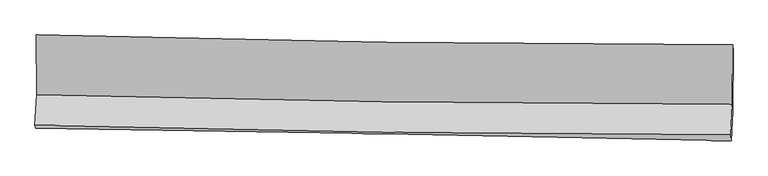
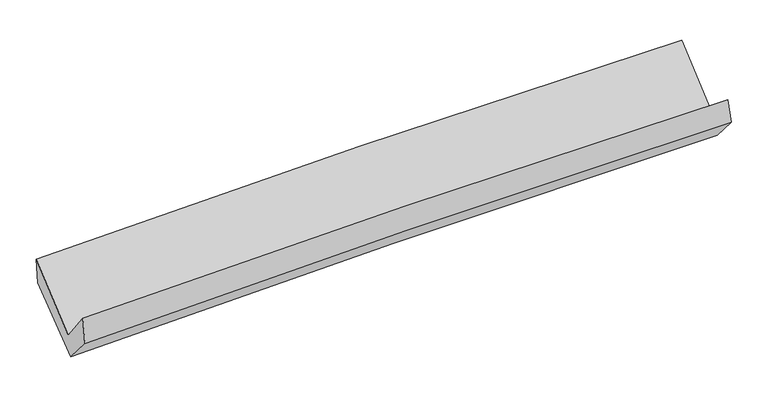
"""IFC4 building model written with IfcOpenShell, lengths in millimetres: proxy geometry."""

from ifc_helpers import new_model, si_unit, frame, origin, place, context, project, spatial, source, transform, mapped, element, save
from ifc_brep_helpers import plane_surface, spline_curve, spline_surface, advanced_brep


def generic_models_17a65b8f(model_context):
    return source(origin(), model_context, "Body", "AdvancedBrep", [
        advanced_brep(
        [(-2976.2248701, -1159.9631535, 2172.7610304), (-2975.1393357, -1670.2657033, 1737.2898855), (2966.8643603, -1752.3209232, 1860.4842065), (2969.4945379, -1246.0135423, 2292.9322514), (-2988.9776428, -1932.0350024, 2066.2215643), (2953.2533526, -2013.2209311, 2180.2940769), (-2983.1850626, -1954.8477257, 1826.3656975), (2956.2830737, -2064.6088656, 1990.4342849), (-2970.730669, -1704.2975137, 1541.8739427), (2968.8396141, -1814.1264757, 1706.0194349), (-2970.7465362, -1175.8548617, 1950.3034302), (2972.4978611, -1293.2123785, 2108.7828414)],
        [
            (0, 1),
            (1, 2, spline_curve(3, [(-2975.1393357, -1670.2657033, 1737.2898855), (-1986.334068556, -1697.559511291, 1788.051923117), (-997.040561833, -1718.044336222, 1823.701839354), (983.626247925, -1745.411264521, 1864.80032265), (1975.000639601, -1752.278179694, 1870.215180349), (2966.8643603, -1752.3209232, 1860.4842065)], [4, 2, 4], [0.0, 9.74963171296899, 19.51013139929388])),
            (2, 3),
            (3, 0, spline_curve(3, [(2969.4945379, -1246.0135423, 2292.9322514), (1977.135017979, -1244.001872406, 2304.209270831), (985.202877155, -1235.817740678, 2299.819211615), (-996.702641251, -1207.120540084, 2259.727267704), (-1986.676969608, -1186.621208481, 2224.06025355), (-2976.2248701, -1159.9631535, 2172.7610304)], [4, 2, 4], [0.0, 9.76049968632489, 19.51013139929388])),
            (1, 4),
            (4, 5, spline_curve(3, [(-2988.9776428, -1932.0350024, 2066.2215643), (-2000.100587564, -1957.400072018, 2115.896017575), (-1010.752246003, -1976.847630339, 2150.242535111), (969.99036772, -2003.922806286, 2188.300897016), (1961.385691243, -2011.537224369, 2191.97855081), (2953.2533526, -2013.2209311, 2180.2940769)], [4, 2, 4], [0.0, 9.746580864753954, 19.504026302064876])),
            (5, 2),
            (4, 6),
            (6, 7, spline_curve(3, [(-2983.1850626, -1954.8477257, 1826.3656975), (-1994.046559994, -1968.247001455, 1868.580170253), (-1004.79740382, -1984.086945633, 1903.356318448), (975.025061375, -2020.668547676, 1958.062440189), (1965.598617276, -2041.415650519, 1977.975820789), (2956.2830737, -2064.6088656, 1990.4342849)], [4, 2, 4], [0.0, 9.74475631445367, 19.500375167627073])),
            (7, 5),
            (6, 8),
            (8, 9, spline_curve(3, [(-2970.730669, -1704.2975137, 1541.8739427), (-1981.793269646, -1722.140989639, 1589.134714562), (-992.636218152, -1740.209916908, 1626.441819363), (987.220052939, -1776.819068147, 1681.17918648), (1977.919762667, -1795.359794767, 1698.5872457), (2968.8396141, -1814.1264757, 1706.0194349)], [4, 2, 4], [0.0, 9.74364158129838, 19.49814445871671])),
            (9, 7),
            (8, 10),
            (10, 11, spline_curve(3, [(-2970.7465362, -1175.8548617, 1950.3034302), (-1981.083902506, -1197.435804239, 1994.705706936), (-991.258197028, -1218.001186706, 2030.111120903), (989.822905098, -1257.1226246, 2082.957659868), (1981.078665152, -1275.676414275, 2100.378716837), (2972.4978611, -1293.2123785, 2108.7828414)], [4, 2, 4], [0.0, 9.74678914878822, 19.504443102308883])),
            (11, 9),
            (10, 0),
            (3, 11),
        ],
        [
            spline_surface(3, 3, [[(-2976.2248701, -1159.9631535, 2172.7610304), (-1986.676969492, -1186.621208506, 2224.060253525), (-996.702641113, -1207.120539922, 2259.727267812), (985.202877017, -1235.81774084, 2299.819211506), (1977.135017952, -1244.001872359, 2304.20927095), (2969.4945379, -1246.0135423, 2292.9322514)], [(-2975.863025293, -1330.064003435, 2027.603982081), (-1986.562669213, -1356.933976063, 2078.724143327), (-996.815281309, -1377.428472002, 2114.385458275), (984.677333971, -1405.682248766, 2154.812915272), (1976.423558491, -1413.427308105, 2159.544574068), (2968.617812037, -1414.782669266, 2148.782903123)], [(-2975.501180507, -1500.164853365, 1882.446933819), (-1986.448368954, -1527.246743616, 1933.388033186), (-996.927921547, -1547.736404064, 1969.043648738), (984.151790882, -1575.546756673, 2009.806619037), (1975.712099017, -1582.852743852, 2014.879877116), (2967.741086163, -1583.551796234, 2004.633554777)], [(-2975.1393357, -1670.2657033, 1737.2898855), (-1986.334068675, -1697.559511173, 1788.051922987), (-997.040561744, -1718.044336145, 1823.701839202), (983.626247835, -1745.411264599, 1864.800322803), (1975.000639556, -1752.278179598, 1870.215180233), (2966.8643603, -1752.3209232, 1860.4842065)]], [4, 4], [4, 2, 4], [0.0, 2.200959758377757], [0.0, 9.74963171296899, 19.51013139929388]),
            spline_surface(3, 3, [[(-2975.1393357, -1670.2657033, 1737.2898855), (-1986.334068675, -1697.559511173, 1788.051922987), (-997.040561744, -1718.044336145, 1823.701839202), (983.626247835, -1745.411264599, 1864.800322803), (1975.000639556, -1752.278179598, 1870.215180233), (2966.8643603, -1752.3209232, 1860.4842065)], [(-2979.752104738, -1757.52213632, 1846.933778421), (-1990.922908325, -1784.173031422, 1897.333287891), (-1001.611123195, -1804.312100863, 1932.548737771), (979.080954477, -1831.581778556, 1972.633847582), (1970.462323486, -1838.697861182, 1977.469637086), (2962.327357724, -1839.287592504, 1967.087496641)], [(-2984.364873762, -1844.77856938, 1956.577671379), (-1995.51174796, -1870.786551712, 2006.614652831), (-1006.181684619, -1890.579865509, 2041.395636379), (974.535661146, -1917.752292441, 2080.467372399), (1965.924007446, -1925.117542754, 2084.724093917), (2957.790355176, -1926.254261796, 2073.690786759)], [(-2988.9776428, -1932.0350024, 2066.2215643), (-2000.10058761, -1957.400071962, 2115.896017734), (-1010.752246071, -1976.847630227, 2150.242534949), (969.990367788, -2003.922806399, 2188.300897178), (1961.385691377, -2011.537224338, 2191.978550769), (2953.2533526, -2013.2209311, 2180.2940769)]], [4, 4], [4, 2, 4], [0.0, 1.3635348208730116], [0.0, 9.746580864753954, 19.504026302064876]),
            spline_surface(3, 3, [[(-2988.9776428, -1932.0350024, 2066.2215643), (-2000.10058761, -1957.400071962, 2115.896017734), (-1010.752246071, -1976.847630227, 2150.242534949), (969.990367788, -2003.922806399, 2188.300897178), (1961.385691377, -2011.537224338, 2191.978550769), (2953.2533526, -2013.2209311, 2180.2940769)], [(-2987.046782712, -1939.639243499, 1986.269608708), (-1998.082578416, -1961.015715107, 2033.457401909), (-1008.767298659, -1979.260735286, 2067.947129486), (971.668598999, -2009.504720187, 2111.5547448), (1962.790000022, -2021.496699678, 2120.644307446), (2954.263259641, -2030.350242597, 2117.00747956)], [(-2985.115922688, -1947.243484601, 1906.317653092), (-1996.064569285, -1964.631358255, 1951.018786061), (-1006.782351263, -1981.673840416, 1985.65172404), (973.346830196, -2015.086634045, 2034.808592438), (1964.194308644, -2031.456175026, 2049.310064142), (2955.273166659, -2047.479554103, 2053.72088224)], [(-2983.1850626, -1954.8477257, 1826.3656975), (-1994.046560091, -1968.2470014, 1868.580170236), (-1004.797403852, -1984.086945475, 1903.356318577), (975.025061407, -2020.668547834, 1958.06244006), (1965.59861729, -2041.415650366, 1977.975820819), (2956.2830737, -2064.6088656, 1990.4342849)]], [4, 4], [4, 2, 4], [0.0, 0.7838509133865976], [0.0, 9.74475631445367, 19.500375167627073]),
            spline_surface(3, 3, [[(-2983.1850626, -1954.8477257, 1826.3656975), (-1994.046560091, -1968.2470014, 1868.580170236), (-1004.797403852, -1984.086945475, 1903.356318577), (975.025061407, -2020.668547834, 1958.06244006), (1965.59861729, -2041.415650366, 1977.975820819), (2956.2830737, -2064.6088656, 1990.4342849)], [(-2979.033598094, -1871.330988375, 1731.535112567), (-1989.962129941, -1886.211664117, 1775.431684957), (-1000.743675297, -1902.794602663, 1811.051485492), (979.090058569, -1939.385387937, 1865.768022239), (1969.7056657, -1959.397031786, 1884.846295783), (2960.468587164, -1981.114735639, 1895.629334901)], [(-2974.882133506, -1787.814251025, 1636.704527633), (-1985.877699708, -1804.176326809, 1682.283199679), (-996.689946701, -1821.502259787, 1718.746652368), (983.155055772, -1858.102227977, 1773.47360438), (1973.812714117, -1877.378413189, 1791.716770746), (2964.654100636, -1897.620605661, 1800.824384899)], [(-2970.730669, -1704.2975137, 1541.8739427), (-1981.793269558, -1722.140989525, 1589.134714401), (-992.636218146, -1740.209916974, 1626.441819283), (987.220052933, -1776.819068081, 1681.17918656), (1977.919762527, -1795.35979461, 1698.58724571), (2968.8396141, -1814.1264757, 1706.0194349)]], [4, 4], [4, 2, 4], [0.0, 1.2112057801799005], [0.0, 9.74364158129838, 19.49814445871671]),
            spline_surface(3, 3, [[(-2970.730669, -1704.2975137, 1541.8739427), (-1981.793269558, -1722.140989525, 1589.134714401), (-992.636218146, -1740.209916974, 1626.441819283), (987.220052933, -1776.819068081, 1681.17918656), (1977.919762527, -1795.35979461, 1698.58724571), (2968.8396141, -1814.1264757, 1706.0194349)], [(-2970.735958048, -1528.149963025, 1678.017105219), (-1981.556813892, -1547.23926109, 1724.325045277), (-992.176877738, -1566.140340249, 1760.99825311), (988.087670315, -1603.586920198, 1815.105344387), (1978.972730069, -1622.132001103, 1832.517736019), (2970.059029762, -1640.488443283, 1840.273903717)], [(-2970.741247152, -1352.002412375, 1814.160267681), (-1981.320358284, -1372.337532681, 1859.515376097), (-991.717537373, -1392.070763562, 1895.55468692), (988.955287653, -1430.354772352, 1949.031502197), (1980.025697626, -1448.904207648, 1966.448226376), (2971.278445438, -1466.850410917, 1974.528372583)], [(-2970.7465362, -1175.8548617, 1950.3034302), (-1981.083902618, -1197.435804247, 1994.705706973), (-991.258196965, -1218.001186837, 2030.111120747), (989.822905034, -1257.122624469, 2082.957660024), (1981.078665168, -1275.676414141, 2100.378716684), (2972.4978611, -1293.2123785, 2108.7828414)]], [4, 4], [4, 2, 4], [0.0, 2.160327287692862], [0.0, 9.74678914878822, 19.504443102308883]),
            spline_surface(3, 3, [[(-2970.7465362, -1175.8548617, 1950.3034302), (-1981.083902618, -1197.435804247, 1994.705706973), (-991.258196965, -1218.001186837, 2030.111120747), (989.822905034, -1257.122624469, 2082.957660024), (1981.078665168, -1275.676414141, 2100.378716684), (2972.4978611, -1293.2123785, 2108.7828414)], [(-2972.572647514, -1170.557625647, 2024.455963605), (-1982.948258257, -1193.830939013, 2071.157222496), (-993.073011691, -1214.374304516, 2106.649836435), (988.282895685, -1250.020996577, 2155.244843851), (1979.764116101, -1265.118233558, 2168.322234764), (2971.496753372, -1277.479433111, 2170.165978058)], [(-2974.398758786, -1165.260389553, 2098.608496995), (-1984.812613853, -1190.226073739, 2147.608738002), (-994.887826386, -1210.747422243, 2183.188552124), (986.742886367, -1242.919368732, 2227.532027679), (1978.449567018, -1254.560052942, 2236.26575287), (2970.495645628, -1261.746487689, 2231.549114742)], [(-2976.2248701, -1159.9631535, 2172.7610304), (-1986.676969492, -1186.621208506, 2224.060253525), (-996.702641113, -1207.120539922, 2259.727267812), (985.202877017, -1235.81774084, 2299.819211506), (1977.135017952, -1244.001872359, 2304.20927095), (2969.4945379, -1246.0135423, 2292.9322514)]], [4, 4], [4, 2, 4], [0.0, 0.7344751424448941], [0.0, 9.751073157789223, 19.513015895721594]),
            plane_surface(frame((2964.5388, -1697.2505194, 2023.1578493), z_axis=(0.9994456647762104, -0.024471465822810085, 0.022572339721927764), x_axis=(0.005555674327891379, 0.7910972357122583, 0.6116651846649326))),
            plane_surface(frame((-2977.5006861, -1599.5439934, 1882.4692584), z_axis=(-0.9994585031917226, 0.020103225841191133, -0.026049197848297033), x_axis=(0.0245564132234302, -0.07123394747949512, -0.9971573132139626))),
        ],
        [
            (0, [[1, 2, 3, 4]]),
            (1, [[5, 6, 7, -2]]),
            (2, [[8, 9, 10, -6]]),
            (3, [[11, 12, 13, -9]]),
            (4, [[14, 15, 16, -12]]),
            (5, [[17, -4, 18, -15]]),
            (6, [[-16, -18, -3, -7, -10, -13]]),
            (7, [[-17, -14, -11, -8, -5, -1]]),
        ],
    ),
    ])


if __name__ == "__main__":
    model = new_model("IFC4")
    model_context = context("Model", 3, world=origin())
    ifc_project = project(units=[si_unit("LENGTHUNIT", "METRE", prefix="MILLI")], contexts=[model_context])
    site = spatial("IfcSite", under=ifc_project)
    building = spatial("IfcBuilding", under=site)
    placement = place(None, origin())
    generic_models_shape = generic_models_17a65b8f(model_context)
    element("IfcBuildingElementProxy", 1, Name="Generic Models", at=placement, inside=building, context=model_context, shape_type="MappedRepresentation", body=[
        mapped(generic_models_shape, transform((0.0, 0.0, 0.0), x_axis=(1.0, 0.0, 0.0), y_axis=(0.0, 1.0, 0.0), z_axis=(0.0, 0.0, 1.0))),
    ])
    save(model, "model.ifc")
